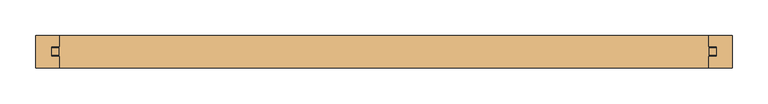
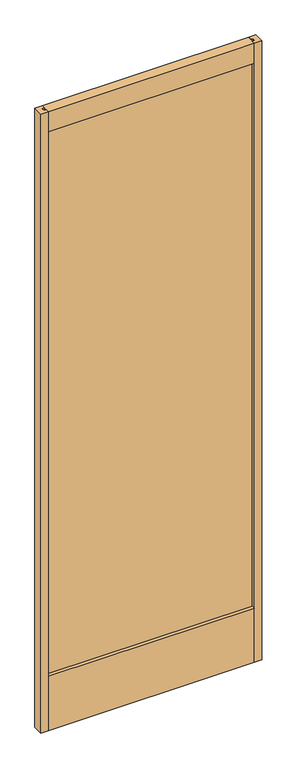
"""IFC4 building model written with IfcOpenShell, lengths in millimetres: door geometry."""

from ifc_helpers import new_model, si_unit, frame, origin, place, context, project, spatial, polyline, outline, extrude, source, transform, mapped, element, save


def door_4b1b0ca6(model_context):
    return source(origin(), model_context, "Body", "SweptSolid", [
        extrude(outline(polyline([(467.36, -5.0038), (-467.36, -5.0038), (-467.36, 5.0038), (467.36, 5.0038), (467.36, -5.0038)])), frame((0.0, 0.0, 95.25), z_axis=(0.0, 0.0, 1.0), x_axis=(1.0, 0.0, 0.0)), (0.0, 0.0, 1.0), 2730.2893997),
        extrude(outline(polyline([(-488.95, -22.733), (-488.95, 22.733), (-455.93, 22.733), (-455.93, 7.239), (-467.36, 7.239), (-467.36, -7.239), (-455.93, -7.239), (-455.93, -22.733), (-488.95, -22.733)])), frame((0.0, 0.0, 12.7), z_axis=(0.0, 0.0, 1.0), x_axis=(1.0, 0.0, 0.0)), (0.0, 0.0, 1.0), 2895.3893997),
        extrude(outline(polyline([(488.95, -22.733), (455.93, -22.733), (455.93, -7.239), (467.36, -7.239), (467.36, 7.239), (455.93, 7.239), (455.93, 22.733), (488.95, 22.733), (488.95, -22.733)])), frame((0.0, 0.0, 12.7), z_axis=(0.0, 0.0, 1.0), x_axis=(1.0, 0.0, 0.0)), (0.0, 0.0, 1.0), 2895.3893997),
        extrude(outline(polyline([(-22.733, 12.7), (-22.733, 266.7), (-7.239, 266.7), (-7.239, 255.27), (7.239, 255.27), (7.239, 266.7), (22.733, 266.7), (22.733, 12.7), (-22.733, 12.7)])), frame((-455.93, 0.0, 0.0), z_axis=(1.0, 0.0, 0.0), x_axis=(0.0, 1.0, 0.0)), (0.0, 0.0, 1.0), 911.86),
        extrude(outline(polyline([(22.733, 2908.0893997), (22.733, 2814.1093997), (7.239, 2814.1093997), (7.239, 2825.5393997), (-7.239, 2825.5393997), (-7.239, 2814.1093997), (-22.733, 2814.1093997), (-22.733, 2908.0893997), (22.733, 2908.0893997)])), frame((-455.93, 0.0, 0.0), z_axis=(1.0, 0.0, 0.0), x_axis=(0.0, 1.0, 0.0)), (0.0, 0.0, 1.0), 911.86),
    ])


if __name__ == "__main__":
    model = new_model("IFC4")
    model_context = context("Model", 3, world=origin())
    ifc_project = project(units=[si_unit("LENGTHUNIT", "METRE", prefix="MILLI")], contexts=[model_context])
    site = spatial("IfcSite", under=ifc_project)
    building = spatial("IfcBuilding", under=site)
    placement = place(None, origin())
    door_shape = door_4b1b0ca6(model_context)
    element("IfcDoor", 1, at=placement, inside=building, context=model_context, shape_type="MappedRepresentation", body=[
        mapped(door_shape, transform((0.0, 0.0, 0.0), x_axis=(1.0, 0.0, 0.0), y_axis=(0.0, 1.0, 0.0), z_axis=(0.0, 0.0, 1.0))),
    ])
    save(model, "model.ifc")
